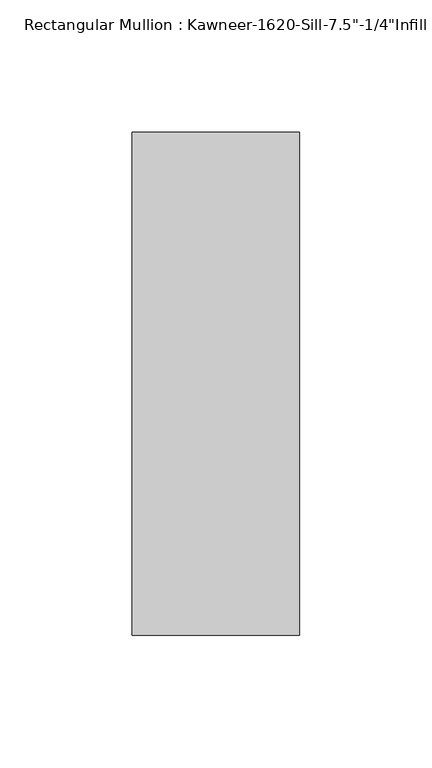
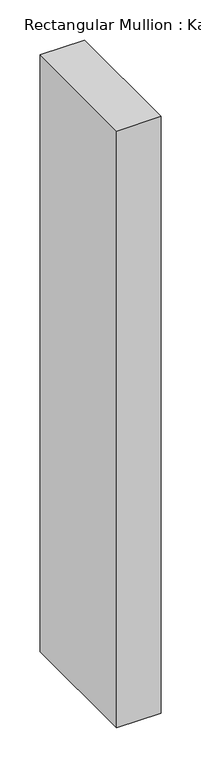
"""IFC4 building model written with IfcOpenShell, lengths in millimetres: member geometry."""

import ifcopenshell
import ifcopenshell.guid

model = None  # the IFC model being written
_history = None  # IfcOwnerHistory: only IFC2X3 demands one
_inside = {}  # id of a spatial element -> (the spatial element, [elements in it])
_under = {}  # id of a project, library or spatial element -> (it, [spatial elements below it])
_declared = {}  # id of a project -> (the project, [libraries it declares])
_typed = {}  # id of a type object -> (the type object, [elements of that type])
_made_of = {}  # id of a material, layer set ... -> (it, [elements and type objects made of it])


def new_model(schema):
    """Start an empty IFC model of exactly this schema.

    Asked for "IFC4X3", IfcOpenShell would pick the latest addendum, in which some entities
    have other attributes; the version numbers below select the first issue.
    IFC2X3 requires an IfcOwnerHistory on every rooted entity: one is made here for all.
    """
    global model, _history
    if schema == "IFC4X3":
        model = ifcopenshell.file(schema_version=(4, 3, 0, 0))
    else:
        model = ifcopenshell.file(schema=schema)
    _inside.clear()
    _under.clear()
    _declared.clear()
    _typed.clear()
    _made_of.clear()
    _history = None
    if model.schema == "IFC2X3":
        org = make("IfcOrganization", Name="unknown")
        user = make(
            "IfcPersonAndOrganization",
            ThePerson=make("IfcPerson", FamilyName="unknown"),
            TheOrganization=org,
        )
        app = make(
            "IfcApplication",
            ApplicationDeveloper=org,
            Version="unknown",
            ApplicationFullName="unknown",
            ApplicationIdentifier="unknown",
        )
        _history = make(
            "IfcOwnerHistory",
            OwningUser=user,
            OwningApplication=app,
            ChangeAction="ADDED",
            CreationDate=0,
        )
    return model


def make(cls, **values):
    """One entity of the class cls with the attributes given. An attribute that is None is left unset."""
    return model.create_entity(
        cls, **{name: value for name, value in values.items() if value is not None}
    )


def rooted(cls, **values):
    """An entity with a GlobalId (a new one), such as an element, a storey or a relation."""
    return make(cls, GlobalId=ifcopenshell.guid.new(), OwnerHistory=_history, **values)


def si_unit(unit_type, name, prefix=None):
    """IfcSIUnit, for example si_unit("LENGTHUNIT", "METRE", prefix="MILLI")."""
    return make("IfcSIUnit", UnitType=unit_type, Prefix=prefix, Name=name)


def assignment(units):
    """IfcUnitAssignment: the units of a project."""
    return None if units is None else make("IfcUnitAssignment", Units=units)


def point(xyz):
    """IfcCartesianPoint."""
    return None if xyz is None else make("IfcCartesianPoint", Coordinates=xyz)


def direction(xyz):
    """IfcDirection."""
    return None if xyz is None else make("IfcDirection", DirectionRatios=xyz)


def frame(location, z_axis=None, x_axis=None):
    """IfcAxis2Placement3D, a coordinate frame: its origin and axes. An axis left out is left unset."""
    return make(
        "IfcAxis2Placement3D",
        Location=point(location),
        Axis=direction(z_axis),
        RefDirection=direction(x_axis),
    )


def origin():
    """The frame at (0, 0, 0) with its axes left unset."""
    return frame((0.0, 0.0, 0.0))


def place(relative_to, where):
    """IfcLocalPlacement: puts the frame where relative to a parent placement (None: the world)."""
    return make(
        "IfcLocalPlacement", PlacementRelTo=relative_to, RelativePlacement=where
    )


def context(
    kind, dimensions, precision=None, world=None, true_north=None, identifier=None
):
    """IfcGeometricRepresentationContext, for example the 3D "Model" context."""
    return make(
        "IfcGeometricRepresentationContext",
        ContextIdentifier=identifier,
        ContextType=kind,
        CoordinateSpaceDimension=dimensions,
        Precision=precision,
        WorldCoordinateSystem=world,
        TrueNorth=true_north,
    )


def project(units=None, contexts=None):
    """IfcProject with its units and contexts."""
    return rooted(
        "IfcProject",
        Name="project",
        RepresentationContexts=contexts,
        UnitsInContext=assignment(units),
    )


def spatial(cls, under=None, at=None, **own):
    """A site, building, storey or space (cls), placed at a placement, below another one or the project."""
    s = rooted(cls, ObjectPlacement=at, **own)
    if under is not None:
        _under.setdefault(under.id(), (under, []))[1].append(s)
    return s


def polyline(points):
    """IfcPolyline through the points."""
    return make("IfcPolyline", Points=[point(p) for p in points])


def outline(outer, holes=None, kind="AREA"):
    """IfcArbitraryClosedProfileDef: a profile drawn as a closed curve; with holes, ...WithVoids."""
    if holes is None:
        return make("IfcArbitraryClosedProfileDef", ProfileType=kind, OuterCurve=outer)
    return make(
        "IfcArbitraryProfileDefWithVoids",
        ProfileType=kind,
        OuterCurve=outer,
        InnerCurves=holes,
    )


def extrude(swept, where, along, depth):
    """IfcExtrudedAreaSolid: the profile swept, set in the frame where, extruded along a direction by depth."""
    return make(
        "IfcExtrudedAreaSolid",
        SweptArea=swept,
        Position=where,
        ExtrudedDirection=direction(along),
        Depth=depth,
    )


def shape(context_of_items, identifier, shape_type, items):
    """IfcShapeRepresentation: the items that make up one representation, for example the "Body"."""
    return make(
        "IfcShapeRepresentation",
        ContextOfItems=context_of_items,
        RepresentationIdentifier=identifier,
        RepresentationType=shape_type,
        Items=items,
    )


def source(mapping_origin, context_of_items, identifier, shape_type, items):
    """IfcRepresentationMap: a shape defined once, which mapped items show again and again."""
    return make(
        "IfcRepresentationMap",
        MappingOrigin=mapping_origin,
        MappedRepresentation=shape(context_of_items, identifier, shape_type, items),
    )


def transform(
    local_origin,
    x_axis=None,
    y_axis=None,
    z_axis=None,
    scale=None,
    scale2=None,
    scale3=None,
    uniform=True,
):
    """IfcCartesianTransformationOperator3D, or its non-uniform kind. x_axis, y_axis, z_axis: its Axis1, 2, 3."""
    if uniform:
        return make(
            "IfcCartesianTransformationOperator3D",
            Axis1=direction(x_axis),
            Axis2=direction(y_axis),
            LocalOrigin=point(local_origin),
            Scale=scale,
            Axis3=direction(z_axis),
        )
    return make(
        "IfcCartesianTransformationOperator3DnonUniform",
        Axis1=direction(x_axis),
        Axis2=direction(y_axis),
        LocalOrigin=point(local_origin),
        Scale=scale,
        Axis3=direction(z_axis),
        Scale2=scale2,
        Scale3=scale3,
    )


def mapped(mapping_source, mapping_target):
    """IfcMappedItem: shows the shape of a source again, moved by a transform."""
    return make(
        "IfcMappedItem", MappingSource=mapping_source, MappingTarget=mapping_target
    )


def made_of(thing, what):
    """Note that an element or type object is made of a material, layer set ...; save() writes the relation."""
    if what is not None:
        _made_of.setdefault(what.id(), (what, []))[1].append(thing)
    return thing


def element(
    cls,
    number,
    at=None,
    inside=None,
    cuts=None,
    type_object=None,
    material=None,
    context=None,
    identifier="Body",
    shape_type=None,
    held_by="IfcProductDefinitionShape",
    body=None,
    shapes=None,
    **own,
):
    """One element of the class cls, such as IfcWall. Its Tag is "e" and its number.

    at: its placement. inside: the storey or other place that contains it. cuts: it is an
    opening in that element (IfcRelVoidsElement). A single representation is given by context,
    identifier, shape_type and body (its items); several are given by shapes. held_by: the class
    of the entity that holds the representations. save() writes the other relations.
    """
    e = rooted(cls, Tag="e%d" % number, ObjectPlacement=at, **own)
    if body is not None:
        shapes = [shape(context, identifier, shape_type, body)]
    if shapes is not None:
        e.Representation = make(held_by, Representations=shapes)
    if inside is not None:
        _inside.setdefault(inside.id(), (inside, []))[1].append(e)
    if cuts is not None:
        rooted(
            "IfcRelVoidsElement", RelatingBuildingElement=cuts, RelatedOpeningElement=e
        )
    if type_object is not None:
        _typed.setdefault(type_object.id(), (type_object, []))[1].append(e)
    return made_of(e, material)


def aggregate(whole, parts):
    """IfcRelAggregates: a whole, such as a stair, and the parts it consists of."""
    return rooted("IfcRelAggregates", RelatingObject=whole, RelatedObjects=parts)


def save(model, path):
    """Write the relations noted so far, then the file.

    IfcRelAggregates (storeys below a building ...), IfcRelContainedInSpatialStructure (elements
    in a storey), IfcRelDefinesByType, IfcRelAssociatesMaterial and IfcRelDeclares: one each for
    every whole, place, type object, material and project.
    """
    for whole, parts in _under.values():
        aggregate(whole, parts)
    for where, things in _inside.values():
        rooted(
            "IfcRelContainedInSpatialStructure",
            RelatedElements=things,
            RelatingStructure=where,
        )
    for kind, things in _typed.values():
        rooted("IfcRelDefinesByType", RelatedObjects=things, RelatingType=kind)
    for what, things in _made_of.values():
        rooted("IfcRelAssociatesMaterial", RelatedObjects=things, RelatingMaterial=what)
    for by, libraries in _declared.values():
        rooted("IfcRelDeclares", RelatingContext=by, RelatedDefinitions=libraries)
    model.write(path)


def member_e898d999(model_context):
    return source(origin(), model_context, "Body", "SweptSolid", [
        extrude(outline(polyline([(-63.5, -28.575), (-63.5, 161.925), (0.0, 161.925), (0.0, -28.575), (-63.5, -28.575)])), frame((0.0, 0.0, -904.875), z_axis=(0.0, 0.0, 1.0), x_axis=(1.0, 0.0, 0.0)), (0.0, 0.0, 1.0), 904.875),
    ])


if __name__ == "__main__":
    model = new_model("IFC4")
    model_context = context("Model", 3, world=origin())
    ifc_project = project(units=[si_unit("LENGTHUNIT", "METRE", prefix="MILLI")], contexts=[model_context])
    site = spatial("IfcSite", under=ifc_project)
    building = spatial("IfcBuilding", under=site)
    placement = place(None, origin())
    member_shape = member_e898d999(model_context)
    element("IfcMember", 1, ObjectType="Rectangular Mullion : Kawneer-1620-Sill-7.5\"-1/4\"Infill", at=placement, inside=building, context=model_context, shape_type="MappedRepresentation", body=[
        mapped(member_shape, transform((0.0, 0.0, 0.0), x_axis=(1.0, 0.0, 0.0), y_axis=(0.0, 1.0, 0.0), z_axis=(0.0, 0.0, 1.0))),
    ])
    save(model, "model.ifc")
